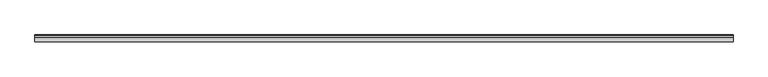
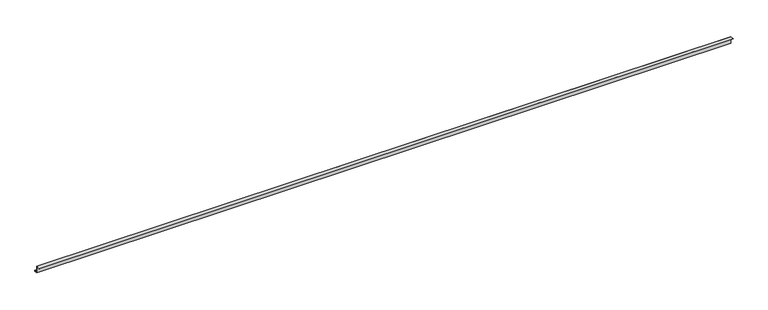
"""IFC4 building model written with IfcOpenShell, lengths in millimetres: proxy geometry."""

import ifcopenshell
import ifcopenshell.guid

model = None  # the IFC model being written
_history = None  # IfcOwnerHistory: only IFC2X3 demands one
_inside = {}  # id of a spatial element -> (the spatial element, [elements in it])
_under = {}  # id of a project, library or spatial element -> (it, [spatial elements below it])
_declared = {}  # id of a project -> (the project, [libraries it declares])
_typed = {}  # id of a type object -> (the type object, [elements of that type])
_made_of = {}  # id of a material, layer set ... -> (it, [elements and type objects made of it])


def new_model(schema):
    """Start an empty IFC model of exactly this schema.

    Asked for "IFC4X3", IfcOpenShell would pick the latest addendum, in which some entities
    have other attributes; the version numbers below select the first issue.
    IFC2X3 requires an IfcOwnerHistory on every rooted entity: one is made here for all.
    """
    global model, _history
    if schema == "IFC4X3":
        model = ifcopenshell.file(schema_version=(4, 3, 0, 0))
    else:
        model = ifcopenshell.file(schema=schema)
    _inside.clear()
    _under.clear()
    _declared.clear()
    _typed.clear()
    _made_of.clear()
    _history = None
    if model.schema == "IFC2X3":
        org = make("IfcOrganization", Name="unknown")
        user = make(
            "IfcPersonAndOrganization",
            ThePerson=make("IfcPerson", FamilyName="unknown"),
            TheOrganization=org,
        )
        app = make(
            "IfcApplication",
            ApplicationDeveloper=org,
            Version="unknown",
            ApplicationFullName="unknown",
            ApplicationIdentifier="unknown",
        )
        _history = make(
            "IfcOwnerHistory",
            OwningUser=user,
            OwningApplication=app,
            ChangeAction="ADDED",
            CreationDate=0,
        )
    return model


def make(cls, **values):
    """One entity of the class cls with the attributes given. An attribute that is None is left unset."""
    return model.create_entity(
        cls, **{name: value for name, value in values.items() if value is not None}
    )


def rooted(cls, **values):
    """An entity with a GlobalId (a new one), such as an element, a storey or a relation."""
    return make(cls, GlobalId=ifcopenshell.guid.new(), OwnerHistory=_history, **values)


def si_unit(unit_type, name, prefix=None):
    """IfcSIUnit, for example si_unit("LENGTHUNIT", "METRE", prefix="MILLI")."""
    return make("IfcSIUnit", UnitType=unit_type, Prefix=prefix, Name=name)


def assignment(units):
    """IfcUnitAssignment: the units of a project."""
    return None if units is None else make("IfcUnitAssignment", Units=units)


def point(xyz):
    """IfcCartesianPoint."""
    return None if xyz is None else make("IfcCartesianPoint", Coordinates=xyz)


def direction(xyz):
    """IfcDirection."""
    return None if xyz is None else make("IfcDirection", DirectionRatios=xyz)


def frame(location, z_axis=None, x_axis=None):
    """IfcAxis2Placement3D, a coordinate frame: its origin and axes. An axis left out is left unset."""
    return make(
        "IfcAxis2Placement3D",
        Location=point(location),
        Axis=direction(z_axis),
        RefDirection=direction(x_axis),
    )


def origin():
    """The frame at (0, 0, 0) with its axes left unset."""
    return frame((0.0, 0.0, 0.0))


def place(relative_to, where):
    """IfcLocalPlacement: puts the frame where relative to a parent placement (None: the world)."""
    return make(
        "IfcLocalPlacement", PlacementRelTo=relative_to, RelativePlacement=where
    )


def context(
    kind, dimensions, precision=None, world=None, true_north=None, identifier=None
):
    """IfcGeometricRepresentationContext, for example the 3D "Model" context."""
    return make(
        "IfcGeometricRepresentationContext",
        ContextIdentifier=identifier,
        ContextType=kind,
        CoordinateSpaceDimension=dimensions,
        Precision=precision,
        WorldCoordinateSystem=world,
        TrueNorth=true_north,
    )


def project(units=None, contexts=None):
    """IfcProject with its units and contexts."""
    return rooted(
        "IfcProject",
        Name="project",
        RepresentationContexts=contexts,
        UnitsInContext=assignment(units),
    )


def spatial(cls, under=None, at=None, **own):
    """A site, building, storey or space (cls), placed at a placement, below another one or the project."""
    s = rooted(cls, ObjectPlacement=at, **own)
    if under is not None:
        _under.setdefault(under.id(), (under, []))[1].append(s)
    return s


def polyline(points):
    """IfcPolyline through the points."""
    return make("IfcPolyline", Points=[point(p) for p in points])


def outline(outer, holes=None, kind="AREA"):
    """IfcArbitraryClosedProfileDef: a profile drawn as a closed curve; with holes, ...WithVoids."""
    if holes is None:
        return make("IfcArbitraryClosedProfileDef", ProfileType=kind, OuterCurve=outer)
    return make(
        "IfcArbitraryProfileDefWithVoids",
        ProfileType=kind,
        OuterCurve=outer,
        InnerCurves=holes,
    )


def extrude(swept, where, along, depth):
    """IfcExtrudedAreaSolid: the profile swept, set in the frame where, extruded along a direction by depth."""
    return make(
        "IfcExtrudedAreaSolid",
        SweptArea=swept,
        Position=where,
        ExtrudedDirection=direction(along),
        Depth=depth,
    )


def shape(context_of_items, identifier, shape_type, items):
    """IfcShapeRepresentation: the items that make up one representation, for example the "Body"."""
    return make(
        "IfcShapeRepresentation",
        ContextOfItems=context_of_items,
        RepresentationIdentifier=identifier,
        RepresentationType=shape_type,
        Items=items,
    )


def source(mapping_origin, context_of_items, identifier, shape_type, items):
    """IfcRepresentationMap: a shape defined once, which mapped items show again and again."""
    return make(
        "IfcRepresentationMap",
        MappingOrigin=mapping_origin,
        MappedRepresentation=shape(context_of_items, identifier, shape_type, items),
    )


def transform(
    local_origin,
    x_axis=None,
    y_axis=None,
    z_axis=None,
    scale=None,
    scale2=None,
    scale3=None,
    uniform=True,
):
    """IfcCartesianTransformationOperator3D, or its non-uniform kind. x_axis, y_axis, z_axis: its Axis1, 2, 3."""
    if uniform:
        return make(
            "IfcCartesianTransformationOperator3D",
            Axis1=direction(x_axis),
            Axis2=direction(y_axis),
            LocalOrigin=point(local_origin),
            Scale=scale,
            Axis3=direction(z_axis),
        )
    return make(
        "IfcCartesianTransformationOperator3DnonUniform",
        Axis1=direction(x_axis),
        Axis2=direction(y_axis),
        LocalOrigin=point(local_origin),
        Scale=scale,
        Axis3=direction(z_axis),
        Scale2=scale2,
        Scale3=scale3,
    )


def mapped(mapping_source, mapping_target):
    """IfcMappedItem: shows the shape of a source again, moved by a transform."""
    return make(
        "IfcMappedItem", MappingSource=mapping_source, MappingTarget=mapping_target
    )


def made_of(thing, what):
    """Note that an element or type object is made of a material, layer set ...; save() writes the relation."""
    if what is not None:
        _made_of.setdefault(what.id(), (what, []))[1].append(thing)
    return thing


def element(
    cls,
    number,
    at=None,
    inside=None,
    cuts=None,
    type_object=None,
    material=None,
    context=None,
    identifier="Body",
    shape_type=None,
    held_by="IfcProductDefinitionShape",
    body=None,
    shapes=None,
    **own,
):
    """One element of the class cls, such as IfcWall. Its Tag is "e" and its number.

    at: its placement. inside: the storey or other place that contains it. cuts: it is an
    opening in that element (IfcRelVoidsElement). A single representation is given by context,
    identifier, shape_type and body (its items); several are given by shapes. held_by: the class
    of the entity that holds the representations. save() writes the other relations.
    """
    e = rooted(cls, Tag="e%d" % number, ObjectPlacement=at, **own)
    if body is not None:
        shapes = [shape(context, identifier, shape_type, body)]
    if shapes is not None:
        e.Representation = make(held_by, Representations=shapes)
    if inside is not None:
        _inside.setdefault(inside.id(), (inside, []))[1].append(e)
    if cuts is not None:
        rooted(
            "IfcRelVoidsElement", RelatingBuildingElement=cuts, RelatedOpeningElement=e
        )
    if type_object is not None:
        _typed.setdefault(type_object.id(), (type_object, []))[1].append(e)
    return made_of(e, material)


def aggregate(whole, parts):
    """IfcRelAggregates: a whole, such as a stair, and the parts it consists of."""
    return rooted("IfcRelAggregates", RelatingObject=whole, RelatedObjects=parts)


def save(model, path):
    """Write the relations noted so far, then the file.

    IfcRelAggregates (storeys below a building ...), IfcRelContainedInSpatialStructure (elements
    in a storey), IfcRelDefinesByType, IfcRelAssociatesMaterial and IfcRelDeclares: one each for
    every whole, place, type object, material and project.
    """
    for whole, parts in _under.values():
        aggregate(whole, parts)
    for where, things in _inside.values():
        rooted(
            "IfcRelContainedInSpatialStructure",
            RelatedElements=things,
            RelatingStructure=where,
        )
    for kind, things in _typed.values():
        rooted("IfcRelDefinesByType", RelatedObjects=things, RelatingType=kind)
    for what, things in _made_of.values():
        rooted("IfcRelAssociatesMaterial", RelatedObjects=things, RelatingMaterial=what)
    for by, libraries in _declared.values():
        rooted("IfcRelDeclares", RelatingContext=by, RelatedDefinitions=libraries)
    model.write(path)


def generic_models_494b9e55(model_context):
    return source(origin(), model_context, "Body", "SweptSolid", [
        extrude(outline(polyline([(-15.8, 0.0), (-15.8, 34.2), (-35.0, 34.2), (-35.0, 35.0), (-15.0, 35.0), (-15.0, 0.8), (-0.8, 0.8), (-0.8, 6.0), (0.0, 6.0), (0.0, 0.0), (-15.8, 0.0)])), frame((0.0, 0.0, 0.0), z_axis=(1.0, 0.0, 0.0), x_axis=(0.0, 1.0, 0.0)), (0.0, 0.0, 1.0), 3600.0000005),
    ])


if __name__ == "__main__":
    model = new_model("IFC4")
    model_context = context("Model", 3, world=origin())
    ifc_project = project(units=[si_unit("LENGTHUNIT", "METRE", prefix="MILLI")], contexts=[model_context])
    site = spatial("IfcSite", under=ifc_project)
    building = spatial("IfcBuilding", under=site)
    placement = place(None, origin())
    generic_models_shape = generic_models_494b9e55(model_context)
    element("IfcBuildingElementProxy", 1, Name="Generic Models", at=placement, inside=building, context=model_context, shape_type="MappedRepresentation", body=[
        mapped(generic_models_shape, transform((0.0, 0.0, 0.0), x_axis=(1.0, 0.0, 0.0), y_axis=(0.0, 1.0, 0.0), z_axis=(0.0, 0.0, 1.0))),
    ])
    save(model, "model.ifc")
